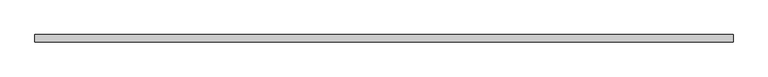
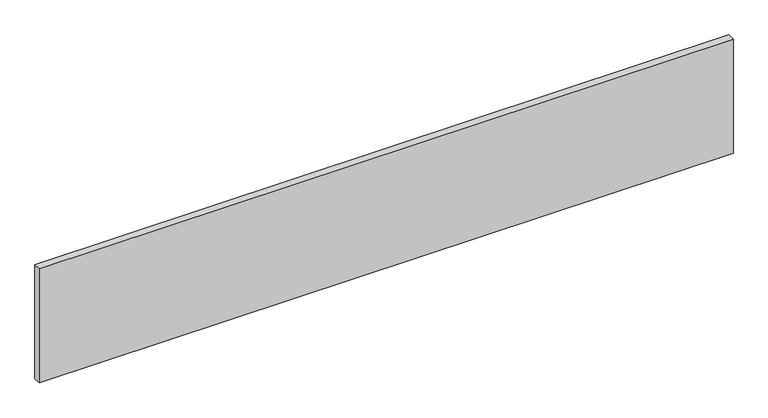
"""IFC4 building model written with IfcOpenShell, lengths in millimetres: furniture geometry."""

from ifc_helpers import new_model, si_unit, frame, origin, place, context, project, spatial, polyline, outline, extrude, source, transform, mapped, element, save


def furniture_d23b0fa4(model_context):
    return source(origin(), model_context, "Body", "SweptSolid", [
        extrude(outline(polyline([(1828.8, 57.15), (1828.8, 38.1), (0.0, 38.1), (0.0, 57.15), (1828.8, 57.15)])), frame((0.0, 0.0, 1036.1701109), z_axis=(0.0, 0.0, 1.0), x_axis=(1.0, 0.0, 0.0)), (0.0, 0.0, 1.0), 317.5),
    ])


if __name__ == "__main__":
    model = new_model("IFC4")
    model_context = context("Model", 3, world=origin())
    ifc_project = project(units=[si_unit("LENGTHUNIT", "METRE", prefix="MILLI")], contexts=[model_context])
    site = spatial("IfcSite", under=ifc_project)
    building = spatial("IfcBuilding", under=site)
    placement = place(None, origin())
    furniture_shape = furniture_d23b0fa4(model_context)
    element("IfcFurniture", 1, at=placement, inside=building, context=model_context, shape_type="MappedRepresentation", body=[
        mapped(furniture_shape, transform((0.0, 0.0, 0.0), x_axis=(1.0, 0.0, 0.0), y_axis=(0.0, 1.0, 0.0), z_axis=(0.0, 0.0, 1.0))),
    ])
    save(model, "model.ifc")
